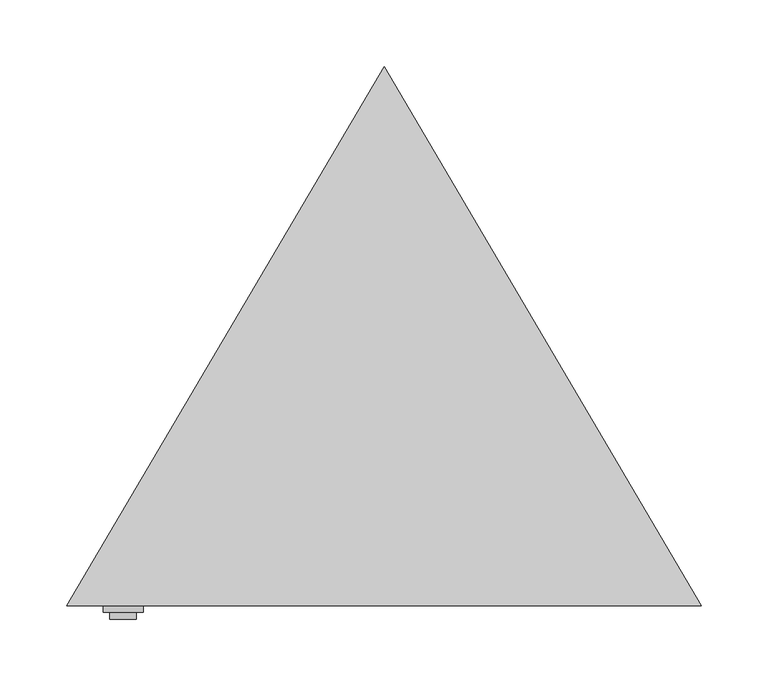
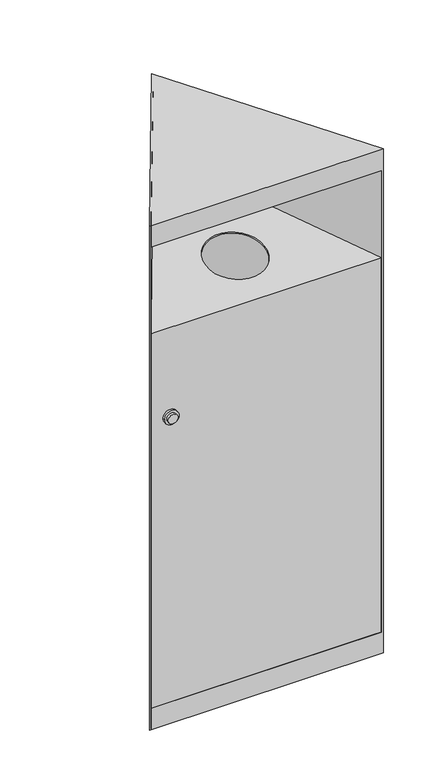
"""IFC4 building model written with IfcOpenShell, lengths in millimetres: furniture geometry."""

from ifc_helpers import new_model, si_unit, point, frame, frame_2d, origin, origin_with_axes, place, context, project, spatial, polyline, circle_curve, ellipse_curve, trimmed, segment, composite_curve, outline, extrude, faceted_brep, source, transform, mapped, element, save
from ifc_brep_helpers import plane_surface, revolved_surface, advanced_brep


def furniture_b0961793(model_context):
    return source(origin(), model_context, "Body", "SolidModel", [
        extrude(outline(composite_curve([segment(trimmed(circle_curve(frame_2d((662.0, -196.0)), 10.0), [point((662.0, -186.0))], [point((662.0, -206.0))], False, "CARTESIAN"), True, "CONTINUOUS"), segment(trimmed(circle_curve(frame_2d((662.0, -196.0)), 10.0), [point((662.0, -206.0))], [point((662.0, -186.0))], False, "CARTESIAN"), True, "CONTINUOUS")], self_intersect=False)), frame((0.0, -120.0, 0.0), z_axis=(0.0, 1.0, 0.0), x_axis=(0.0, 0.0, 1.0)), (0.0, 0.0, 1.0), 5.0),
        extrude(outline(composite_curve([segment(trimmed(circle_curve(frame_2d((662.0, -196.0)), 15.0), [point((662.0, -211.0))], [point((662.0, -181.0))], False, "CARTESIAN"), True, "CONTINUOUS"), segment(trimmed(circle_curve(frame_2d((662.0, -196.0)), 15.0), [point((662.0, -181.0))], [point((662.0, -211.0))], False, "CARTESIAN"), True, "CONTINUOUS")], self_intersect=False)), frame((0.0, -115.0, 0.0), z_axis=(0.0, 1.0, 0.0), x_axis=(0.0, 0.0, 1.0)), (0.0, 0.0, 1.0), 5.0),
        faceted_brep([(238.5, -110.0, 1086.0), (0.0, 294.9910493, 1086.0), (-238.5, -110.0, 1086.0), (-233.2517359, -107.0, 1083.0), (0.0, 289.0790996, 1083.0), (233.2517359, -107.0, 1083.0), (-238.5, -110.0, 0.0), (0.0, 294.9910493, 0.0), (238.5, -110.0, 0.0), (0.0, 289.0790996, 0.0), (-233.2517359, -107.0, 0.0), (233.2517359, -107.0, 0.0), (-233.2517359, -107.0, 1040.0), (-235.0184416, -110.0, 1040.0), (-235.0184416, -110.0, 46.0), (-233.2517359, -107.0, 46.0), (233.2517359, -107.0, 46.0), (235.0184416, -110.0, 46.0), (235.0184416, -110.0, 1040.0), (233.2517359, -107.0, 1040.0)], [[[0, 1, 2]], [[3, 4, 5]], [[6, 7, 8], [9, 10, 11]], [[9, 4, 3, 12, 13, 14, 15, 10]], [[4, 9, 11, 16, 17, 18, 19, 5]], [[6, 8, 0, 2], [18, 17, 14, 13]], [[1, 0, 8, 7]], [[2, 1, 7, 6]], [[12, 19, 18, 13]], [[19, 12, 3, 5]], [[16, 15, 14, 17]], [[15, 16, 11, 10]]]),
        advanced_brep(
        [(0.0, 289.0790996, 923.4146925), (0.0, 289.0790996, 920.3684127), (-233.2517359, -107.0, 850.5289809), (-233.2517359, -107.0, 46.0), (-235.0184416, -110.0, 46.0), (-235.0184416, -110.0, 853.0462798), (235.0184416, -110.0, 853.0462798), (235.0184416, -110.0, 46.0), (233.2517359, -107.0, 46.0), (233.2517359, -107.0, 850.5289809), (60.0, 0.0, 872.4422477), (-60.0, 0.0, 872.4422477), (-60.0, 0.0, 869.3959679), (60.0, 0.0, 869.3959679)],
        [
            (0, 1),
            (1, 2),
            (2, 3),
            (3, 4),
            (4, 5),
            (5, 0),
            (0, 6),
            (6, 7),
            (7, 8),
            (8, 9),
            (9, 1),
            (5, 6),
            (10, 11, ellipse_curve(frame((0.0, 0.0, 872.4422477), z_axis=(0.0, 0.17364817766692028, -0.9848077530122099), x_axis=(0.0, 0.9848077530122101, 0.17364817766691923)), 60.9255967, 60.0)),
            (11, 10, ellipse_curve(frame((0.0, 0.0, 872.4422477), z_axis=(0.0, 0.17364817766692028, -0.9848077530122099), x_axis=(0.0, 0.9848077530122101, 0.17364817766691923)), 60.9255967, 60.0)),
            (4, 7),
            (2, 9),
            (8, 3),
            (12, 13, ellipse_curve(frame((0.0, 0.0, 869.3959679), z_axis=(0.0, -0.1736481776669204, 0.9848077530122098), x_axis=(0.0, 0.9848077530122097, 0.17364817766692034)), 60.9255967, 60.0)),
            (13, 12, ellipse_curve(frame((0.0, 0.0, 869.3959679), z_axis=(0.0, -0.1736481776669204, 0.9848077530122098), x_axis=(0.0, 0.9848077530122097, 0.17364817766692034)), 60.9255967, 60.0)),
            (12, 11),
            (10, 13),
        ],
        [
            plane_surface(frame((-235.0184416, -110.0, 952.3232456), z_axis=(-0.8616830835825706, 0.5074468085106385, 0.0), x_axis=(0.0, 0.0, -1.0))),
            plane_surface(frame((0.0, 289.0790996, 952.3232456), z_axis=(0.8616830835825707, 0.5074468085106385, 0.0), x_axis=(0.0, 0.0, -1.0))),
            plane_surface(frame((252.5303996, 289.0790996, 923.4146925), z_axis=(0.0, -0.17364817766692028, 0.9848077530122099), x_axis=(-1.0, 0.0, 0.0))),
            plane_surface(frame((252.5303996, -110.0, 853.0462798), z_axis=(0.0, -1.0, 0.0), x_axis=(-1.0, 0.0, 0.0))),
            plane_surface(frame((252.5303996, -107.0, 846.7792469), z_axis=(0.0, 1.0, 0.0), x_axis=(-1.0, 0.0, 0.0))),
            plane_surface(frame((252.5303996, -107.0, 850.5289809), z_axis=(0.0, 0.1736481776669204, -0.9848077530122098), x_axis=(-1.0, 0.0, 0.0))),
            revolved_surface(polyline([(60.0, 0.0, 883.0218665402247), (60.0, 0.0, 858.8163490597752)]), (0.0, 0.0, 827.0276306), (0.0, 0.0, 1.0)),
            plane_surface(frame((-235.0184416, -110.0, 46.0), z_axis=(0.0, 0.0, -1.0), x_axis=(-1.0, 0.0, 0.0))),
        ],
        [
            (0, [[1, 2, 3, 4, 5, 6]]),
            (1, [[-1, 7, 8, 9, 10, 11]]),
            (2, [[12, -7, -6], [13, 14]]),
            (3, [[-8, -12, -5, 15]]),
            (4, [[-3, 16, -10, 17]]),
            (5, [[-16, -2, -11], [18, 19]]),
            (6, [[20, -13, 21, -18]]),
            (6, [[-20, -19, -21, -14]]),
            (7, [[-4, -17, -9, -15]]),
        ],
    ),
        extrude(outline(polyline([(0.0, 289.0790996), (233.2517359, -107.0), (-233.2517359, -107.0), (0.0, 289.0790996)])), origin_with_axes(), (0.0, 0.0, 1.0), 3.0),
    ])


if __name__ == "__main__":
    model = new_model("IFC4")
    model_context = context("Model", 3, world=origin())
    ifc_project = project(units=[si_unit("LENGTHUNIT", "METRE", prefix="MILLI")], contexts=[model_context])
    site = spatial("IfcSite", under=ifc_project)
    building = spatial("IfcBuilding", under=site)
    placement = place(None, origin())
    furniture_shape = furniture_b0961793(model_context)
    element("IfcFurniture", 1, at=placement, inside=building, context=model_context, shape_type="MappedRepresentation", body=[
        mapped(furniture_shape, transform((0.0, 0.0, 0.0), x_axis=(1.0, 0.0, 0.0), y_axis=(0.0, 1.0, 0.0), z_axis=(0.0, 0.0, 1.0))),
    ])
    save(model, "model.ifc")
